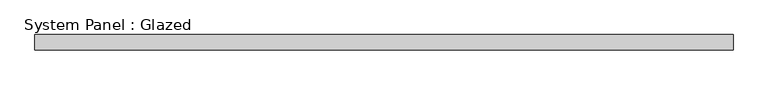
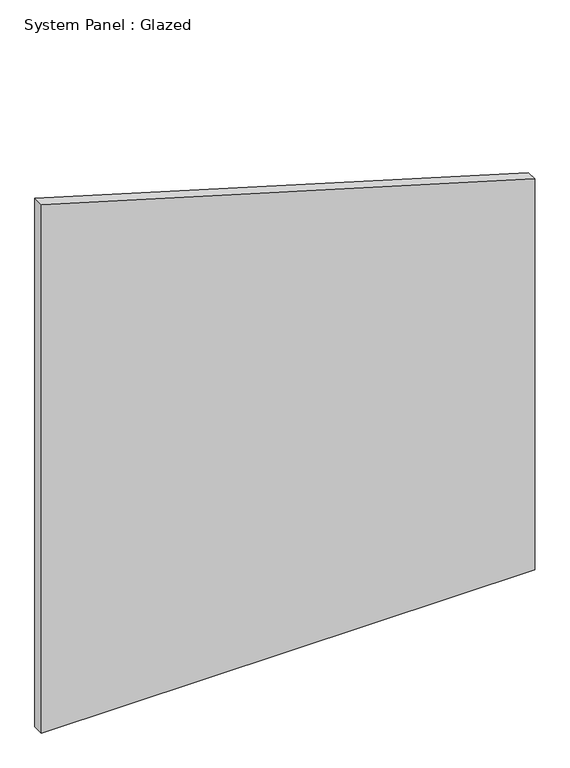
"""IFC4 building model written with IfcOpenShell, lengths in millimetres: plate geometry, System Panel : Glazed."""

from ifc_helpers import new_model, si_unit, frame, origin, place, context, project, spatial, polyline, outline, extrude, source, transform, mapped, element, save


def system_panel_glazed_c3ea5358(model_context):
    return source(origin(), model_context, "Body", "SweptSolid", [
        extrude(outline(polyline([(0.0, -577.85), (0.0, 577.85), (967.8317516, 577.85), (1308.7612417, -577.85), (0.0, -577.85)])), frame((0.0, 19.05, 0.0), z_axis=(0.0, 1.0, 0.0), x_axis=(0.0, 0.0, 1.0)), (0.0, 0.0, 1.0), 25.4),
    ])


if __name__ == "__main__":
    model = new_model("IFC4")
    model_context = context("Model", 3, world=origin())
    ifc_project = project(units=[si_unit("LENGTHUNIT", "METRE", prefix="MILLI")], contexts=[model_context])
    site = spatial("IfcSite", under=ifc_project)
    building = spatial("IfcBuilding", under=site)
    placement = place(None, origin())
    system_panel_glazed_shape = system_panel_glazed_c3ea5358(model_context)
    element("IfcPlate", 1, ObjectType="System Panel : Glazed", at=placement, inside=building, context=model_context, shape_type="MappedRepresentation", body=[
        mapped(system_panel_glazed_shape, transform((0.0, 0.0, 0.0), x_axis=(1.0, 0.0, 0.0), y_axis=(0.0, 1.0, 0.0), z_axis=(0.0, 0.0, 1.0))),
    ])
    save(model, "model.ifc")
